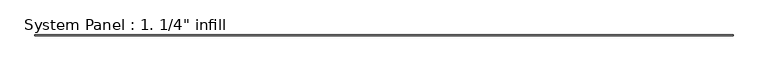
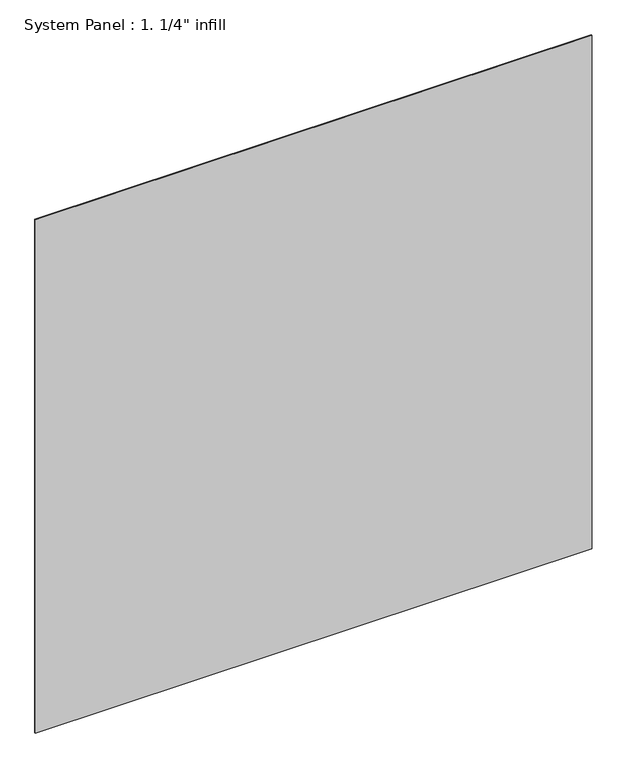
"""IFC4 building model written with IfcOpenShell, lengths in millimetres: plate geometry."""

from ifc_helpers import new_model, si_unit, origin, origin_with_axes, place, context, project, spatial, polyline, outline, extrude, source, transform, mapped, element, save


def plate_15fad838(model_context):
    return source(origin(), model_context, "Body", "SweptSolid", [
        extrude(outline(polyline([(3000.375, -3.175), (-3000.375, -3.175), (-3000.375, 3.175), (3000.375, 3.175), (3000.375, -3.175)])), origin_with_axes(), (0.0, 0.0, 1.0), 5846.7357864),
    ])


if __name__ == "__main__":
    model = new_model("IFC4")
    model_context = context("Model", 3, world=origin())
    ifc_project = project(units=[si_unit("LENGTHUNIT", "METRE", prefix="MILLI")], contexts=[model_context])
    site = spatial("IfcSite", under=ifc_project)
    building = spatial("IfcBuilding", under=site)
    placement = place(None, origin())
    plate_shape = plate_15fad838(model_context)
    element("IfcPlate", 1, ObjectType="System Panel : 1. 1/4\" infill", at=placement, inside=building, context=model_context, shape_type="MappedRepresentation", body=[
        mapped(plate_shape, transform((0.0, 0.0, 0.0), x_axis=(1.0, 0.0, 0.0), y_axis=(0.0, 1.0, 0.0), z_axis=(0.0, 0.0, 1.0))),
    ])
    save(model, "model.ifc")
